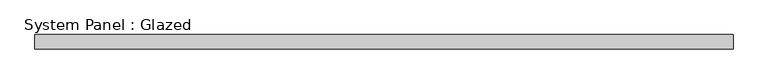
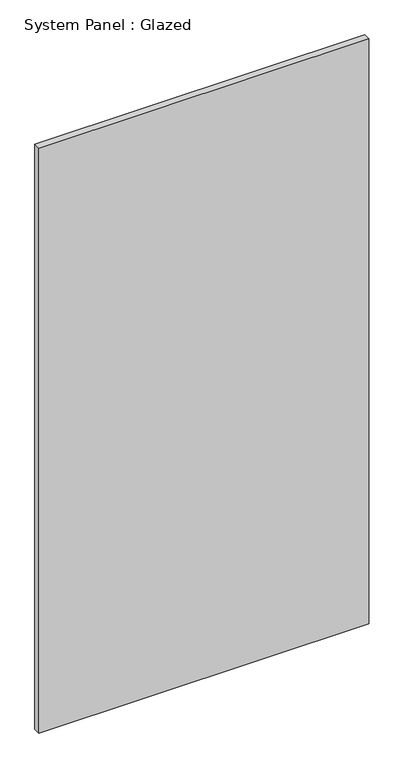
"""IFC4 building model written with IfcOpenShell, lengths in millimetres: plate geometry, System Panel : Glazed."""

import ifcopenshell
import ifcopenshell.guid

model = None  # the IFC model being written
_history = None  # IfcOwnerHistory: only IFC2X3 demands one
_inside = {}  # id of a spatial element -> (the spatial element, [elements in it])
_under = {}  # id of a project, library or spatial element -> (it, [spatial elements below it])
_declared = {}  # id of a project -> (the project, [libraries it declares])
_typed = {}  # id of a type object -> (the type object, [elements of that type])
_made_of = {}  # id of a material, layer set ... -> (it, [elements and type objects made of it])


def new_model(schema):
    """Start an empty IFC model of exactly this schema.

    Asked for "IFC4X3", IfcOpenShell would pick the latest addendum, in which some entities
    have other attributes; the version numbers below select the first issue.
    IFC2X3 requires an IfcOwnerHistory on every rooted entity: one is made here for all.
    """
    global model, _history
    if schema == "IFC4X3":
        model = ifcopenshell.file(schema_version=(4, 3, 0, 0))
    else:
        model = ifcopenshell.file(schema=schema)
    _inside.clear()
    _under.clear()
    _declared.clear()
    _typed.clear()
    _made_of.clear()
    _history = None
    if model.schema == "IFC2X3":
        org = make("IfcOrganization", Name="unknown")
        user = make(
            "IfcPersonAndOrganization",
            ThePerson=make("IfcPerson", FamilyName="unknown"),
            TheOrganization=org,
        )
        app = make(
            "IfcApplication",
            ApplicationDeveloper=org,
            Version="unknown",
            ApplicationFullName="unknown",
            ApplicationIdentifier="unknown",
        )
        _history = make(
            "IfcOwnerHistory",
            OwningUser=user,
            OwningApplication=app,
            ChangeAction="ADDED",
            CreationDate=0,
        )
    return model


def make(cls, **values):
    """One entity of the class cls with the attributes given. An attribute that is None is left unset."""
    return model.create_entity(
        cls, **{name: value for name, value in values.items() if value is not None}
    )


def rooted(cls, **values):
    """An entity with a GlobalId (a new one), such as an element, a storey or a relation."""
    return make(cls, GlobalId=ifcopenshell.guid.new(), OwnerHistory=_history, **values)


def si_unit(unit_type, name, prefix=None):
    """IfcSIUnit, for example si_unit("LENGTHUNIT", "METRE", prefix="MILLI")."""
    return make("IfcSIUnit", UnitType=unit_type, Prefix=prefix, Name=name)


def assignment(units):
    """IfcUnitAssignment: the units of a project."""
    return None if units is None else make("IfcUnitAssignment", Units=units)


def point(xyz):
    """IfcCartesianPoint."""
    return None if xyz is None else make("IfcCartesianPoint", Coordinates=xyz)


def direction(xyz):
    """IfcDirection."""
    return None if xyz is None else make("IfcDirection", DirectionRatios=xyz)


def frame(location, z_axis=None, x_axis=None):
    """IfcAxis2Placement3D, a coordinate frame: its origin and axes. An axis left out is left unset."""
    return make(
        "IfcAxis2Placement3D",
        Location=point(location),
        Axis=direction(z_axis),
        RefDirection=direction(x_axis),
    )


def origin():
    """The frame at (0, 0, 0) with its axes left unset."""
    return frame((0.0, 0.0, 0.0))


def origin_with_axes():
    """The frame at (0, 0, 0) with the z axis (0, 0, 1) and the x axis (1, 0, 0) written out."""
    return frame((0.0, 0.0, 0.0), z_axis=(0.0, 0.0, 1.0), x_axis=(1.0, 0.0, 0.0))


def place(relative_to, where):
    """IfcLocalPlacement: puts the frame where relative to a parent placement (None: the world)."""
    return make(
        "IfcLocalPlacement", PlacementRelTo=relative_to, RelativePlacement=where
    )


def context(
    kind, dimensions, precision=None, world=None, true_north=None, identifier=None
):
    """IfcGeometricRepresentationContext, for example the 3D "Model" context."""
    return make(
        "IfcGeometricRepresentationContext",
        ContextIdentifier=identifier,
        ContextType=kind,
        CoordinateSpaceDimension=dimensions,
        Precision=precision,
        WorldCoordinateSystem=world,
        TrueNorth=true_north,
    )


def project(units=None, contexts=None):
    """IfcProject with its units and contexts."""
    return rooted(
        "IfcProject",
        Name="project",
        RepresentationContexts=contexts,
        UnitsInContext=assignment(units),
    )


def spatial(cls, under=None, at=None, **own):
    """A site, building, storey or space (cls), placed at a placement, below another one or the project."""
    s = rooted(cls, ObjectPlacement=at, **own)
    if under is not None:
        _under.setdefault(under.id(), (under, []))[1].append(s)
    return s


def polyline(points):
    """IfcPolyline through the points."""
    return make("IfcPolyline", Points=[point(p) for p in points])


def outline(outer, holes=None, kind="AREA"):
    """IfcArbitraryClosedProfileDef: a profile drawn as a closed curve; with holes, ...WithVoids."""
    if holes is None:
        return make("IfcArbitraryClosedProfileDef", ProfileType=kind, OuterCurve=outer)
    return make(
        "IfcArbitraryProfileDefWithVoids",
        ProfileType=kind,
        OuterCurve=outer,
        InnerCurves=holes,
    )


def extrude(swept, where, along, depth):
    """IfcExtrudedAreaSolid: the profile swept, set in the frame where, extruded along a direction by depth."""
    return make(
        "IfcExtrudedAreaSolid",
        SweptArea=swept,
        Position=where,
        ExtrudedDirection=direction(along),
        Depth=depth,
    )


def shape(context_of_items, identifier, shape_type, items):
    """IfcShapeRepresentation: the items that make up one representation, for example the "Body"."""
    return make(
        "IfcShapeRepresentation",
        ContextOfItems=context_of_items,
        RepresentationIdentifier=identifier,
        RepresentationType=shape_type,
        Items=items,
    )


def source(mapping_origin, context_of_items, identifier, shape_type, items):
    """IfcRepresentationMap: a shape defined once, which mapped items show again and again."""
    return make(
        "IfcRepresentationMap",
        MappingOrigin=mapping_origin,
        MappedRepresentation=shape(context_of_items, identifier, shape_type, items),
    )


def transform(
    local_origin,
    x_axis=None,
    y_axis=None,
    z_axis=None,
    scale=None,
    scale2=None,
    scale3=None,
    uniform=True,
):
    """IfcCartesianTransformationOperator3D, or its non-uniform kind. x_axis, y_axis, z_axis: its Axis1, 2, 3."""
    if uniform:
        return make(
            "IfcCartesianTransformationOperator3D",
            Axis1=direction(x_axis),
            Axis2=direction(y_axis),
            LocalOrigin=point(local_origin),
            Scale=scale,
            Axis3=direction(z_axis),
        )
    return make(
        "IfcCartesianTransformationOperator3DnonUniform",
        Axis1=direction(x_axis),
        Axis2=direction(y_axis),
        LocalOrigin=point(local_origin),
        Scale=scale,
        Axis3=direction(z_axis),
        Scale2=scale2,
        Scale3=scale3,
    )


def mapped(mapping_source, mapping_target):
    """IfcMappedItem: shows the shape of a source again, moved by a transform."""
    return make(
        "IfcMappedItem", MappingSource=mapping_source, MappingTarget=mapping_target
    )


def made_of(thing, what):
    """Note that an element or type object is made of a material, layer set ...; save() writes the relation."""
    if what is not None:
        _made_of.setdefault(what.id(), (what, []))[1].append(thing)
    return thing


def element(
    cls,
    number,
    at=None,
    inside=None,
    cuts=None,
    type_object=None,
    material=None,
    context=None,
    identifier="Body",
    shape_type=None,
    held_by="IfcProductDefinitionShape",
    body=None,
    shapes=None,
    **own,
):
    """One element of the class cls, such as IfcWall. Its Tag is "e" and its number.

    at: its placement. inside: the storey or other place that contains it. cuts: it is an
    opening in that element (IfcRelVoidsElement). A single representation is given by context,
    identifier, shape_type and body (its items); several are given by shapes. held_by: the class
    of the entity that holds the representations. save() writes the other relations.
    """
    e = rooted(cls, Tag="e%d" % number, ObjectPlacement=at, **own)
    if body is not None:
        shapes = [shape(context, identifier, shape_type, body)]
    if shapes is not None:
        e.Representation = make(held_by, Representations=shapes)
    if inside is not None:
        _inside.setdefault(inside.id(), (inside, []))[1].append(e)
    if cuts is not None:
        rooted(
            "IfcRelVoidsElement", RelatingBuildingElement=cuts, RelatedOpeningElement=e
        )
    if type_object is not None:
        _typed.setdefault(type_object.id(), (type_object, []))[1].append(e)
    return made_of(e, material)


def aggregate(whole, parts):
    """IfcRelAggregates: a whole, such as a stair, and the parts it consists of."""
    return rooted("IfcRelAggregates", RelatingObject=whole, RelatedObjects=parts)


def save(model, path):
    """Write the relations noted so far, then the file.

    IfcRelAggregates (storeys below a building ...), IfcRelContainedInSpatialStructure (elements
    in a storey), IfcRelDefinesByType, IfcRelAssociatesMaterial and IfcRelDeclares: one each for
    every whole, place, type object, material and project.
    """
    for whole, parts in _under.values():
        aggregate(whole, parts)
    for where, things in _inside.values():
        rooted(
            "IfcRelContainedInSpatialStructure",
            RelatedElements=things,
            RelatingStructure=where,
        )
    for kind, things in _typed.values():
        rooted("IfcRelDefinesByType", RelatedObjects=things, RelatingType=kind)
    for what, things in _made_of.values():
        rooted("IfcRelAssociatesMaterial", RelatedObjects=things, RelatingMaterial=what)
    for by, libraries in _declared.values():
        rooted("IfcRelDeclares", RelatingContext=by, RelatedDefinitions=libraries)
    model.write(path)


def system_panel_glazed_f7e0fd54(model_context):
    return source(origin(), model_context, "Body", "SweptSolid", [
        extrude(outline(polyline([(625.1648864, 19.05), (-625.1648864, 19.05), (-625.1648864, 44.45), (625.1648864, 44.45), (625.1648864, 19.05)])), origin_with_axes(), (0.0, 0.0, 1.0), 2343.15),
    ])


if __name__ == "__main__":
    model = new_model("IFC4")
    model_context = context("Model", 3, world=origin())
    ifc_project = project(units=[si_unit("LENGTHUNIT", "METRE", prefix="MILLI")], contexts=[model_context])
    site = spatial("IfcSite", under=ifc_project)
    building = spatial("IfcBuilding", under=site)
    placement = place(None, origin())
    system_panel_glazed_shape = system_panel_glazed_f7e0fd54(model_context)
    element("IfcPlate", 1, ObjectType="System Panel : Glazed", at=placement, inside=building, context=model_context, shape_type="MappedRepresentation", body=[
        mapped(system_panel_glazed_shape, transform((0.0, 0.0, 0.0), x_axis=(1.0, 0.0, 0.0), y_axis=(0.0, 1.0, 0.0), z_axis=(0.0, 0.0, 1.0))),
    ])
    save(model, "model.ifc")
